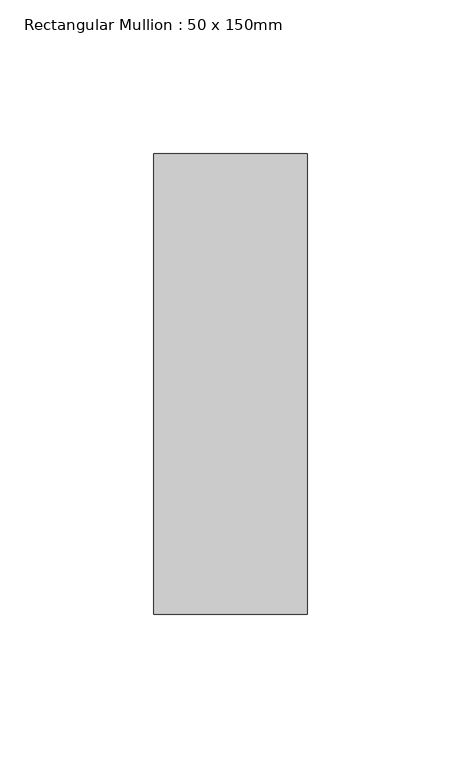
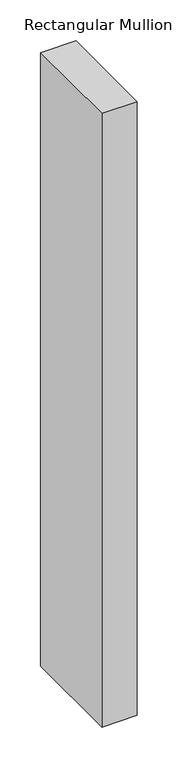
"""IFC4 building model written with IfcOpenShell, lengths in millimetres: member geometry, Rectangular Mullion : 50 x 150mm."""

from ifc_helpers import new_model, si_unit, frame, origin, place, context, project, spatial, polyline, outline, extrude, source, transform, mapped, element, save


def rectangular_mullion_50_x_150mm_e13946c5(model_context):
    return source(origin(), model_context, "Body", "SweptSolid", [
        extrude(outline(polyline([(25.0, 75.0), (25.0, -75.0), (-25.0, -75.0), (-25.0, 75.0), (25.0, 75.0)])), frame((0.0, 0.0, -918.3333333), z_axis=(0.0, 0.0, 1.0), x_axis=(1.0, 0.0, 0.0)), (0.0, 0.0, 1.0), 918.3333333),
    ])


if __name__ == "__main__":
    model = new_model("IFC4")
    model_context = context("Model", 3, world=origin())
    ifc_project = project(units=[si_unit("LENGTHUNIT", "METRE", prefix="MILLI")], contexts=[model_context])
    site = spatial("IfcSite", under=ifc_project)
    building = spatial("IfcBuilding", under=site)
    placement = place(None, origin())
    rectangular_mullion_50_x_150mm_shape = rectangular_mullion_50_x_150mm_e13946c5(model_context)
    element("IfcMember", 1, ObjectType="Rectangular Mullion : 50 x 150mm", at=placement, inside=building, context=model_context, shape_type="MappedRepresentation", body=[
        mapped(rectangular_mullion_50_x_150mm_shape, transform((0.0, 0.0, 0.0), x_axis=(1.0, 0.0, 0.0), y_axis=(0.0, 1.0, 0.0), z_axis=(0.0, 0.0, 1.0))),
    ])
    save(model, "model.ifc")
